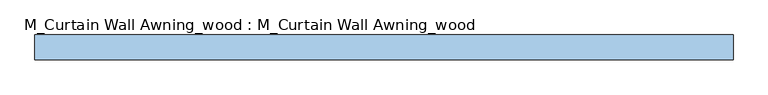
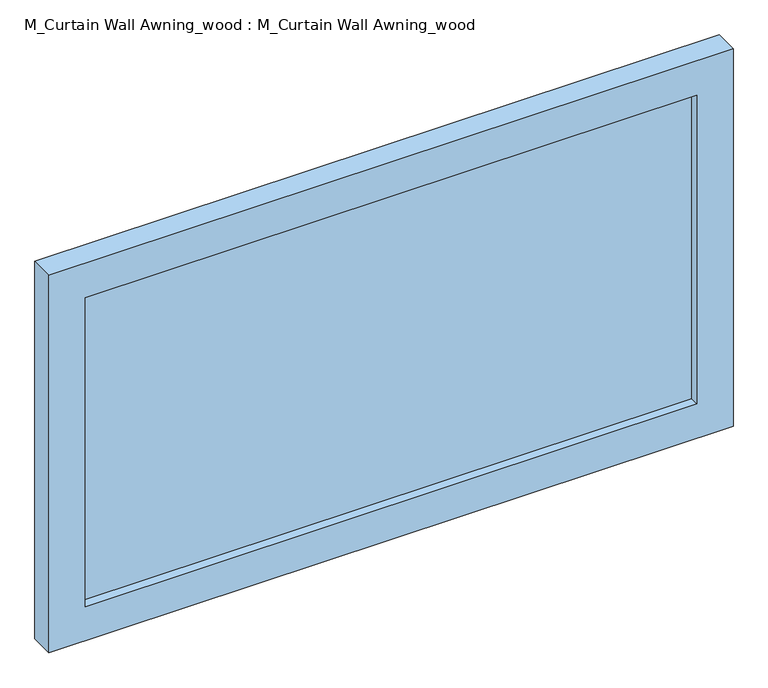
"""IFC4 building model written with IfcOpenShell, lengths in millimetres: window geometry, M_Curtain Wall Awning_wood : M_Curtain Wall Awning_wood."""

from ifc_helpers import new_model, si_unit, frame, origin, place, context, project, spatial, polyline, outline, extrude, source, transform, mapped, element, save


def m_curtain_wall_awning_wood_m_curtain_wall_awning_wood_87ca9722(model_context):
    return source(origin(), model_context, "Body", "SweptSolid", [
        extrude(outline(polyline([(632.5, 44.05), (-632.5, 44.05), (-632.5, 56.75), (632.5, 56.75), (632.5, 44.05)])), frame((0.0, 0.0, 75.0), z_axis=(0.0, 0.0, 1.0), x_axis=(1.0, 0.0, 0.0)), (0.0, 0.0, 1.0), 675.276156),
        extrude(outline(polyline([(825.276156, -707.5), (0.0, -707.5), (0.0, 707.5), (825.276156, 707.5), (825.276156, -707.5)]), holes=[polyline([(750.276156, -632.5), (750.276156, 632.5), (75.0, 632.5), (75.0, -632.5), (750.276156, -632.5)])]), frame((0.0, 25.0, 0.0), z_axis=(0.0, 1.0, 0.0), x_axis=(0.0, 0.0, 1.0)), (0.0, 0.0, 1.0), 50.0),
    ])


if __name__ == "__main__":
    model = new_model("IFC4")
    model_context = context("Model", 3, world=origin())
    ifc_project = project(units=[si_unit("LENGTHUNIT", "METRE", prefix="MILLI")], contexts=[model_context])
    site = spatial("IfcSite", under=ifc_project)
    building = spatial("IfcBuilding", under=site)
    placement = place(None, origin())
    m_curtain_wall_awning_wood_m_curtain_wall_awning_wood_shape = m_curtain_wall_awning_wood_m_curtain_wall_awning_wood_87ca9722(model_context)
    element("IfcWindow", 1, ObjectType="M_Curtain Wall Awning_wood : M_Curtain Wall Awning_wood", at=placement, inside=building, context=model_context, shape_type="MappedRepresentation", body=[
        mapped(m_curtain_wall_awning_wood_m_curtain_wall_awning_wood_shape, transform((0.0, 0.0, 0.0), x_axis=(1.0, 0.0, 0.0), y_axis=(0.0, 1.0, 0.0), z_axis=(0.0, 0.0, 1.0))),
    ])
    save(model, "model.ifc")
